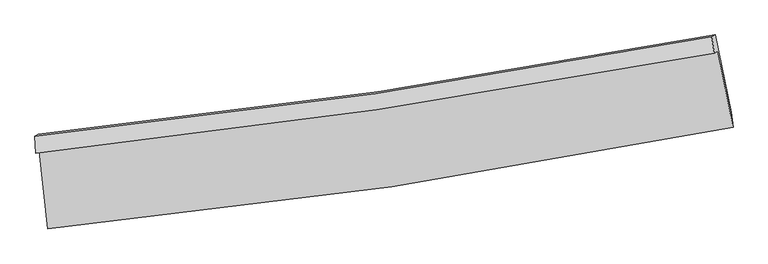
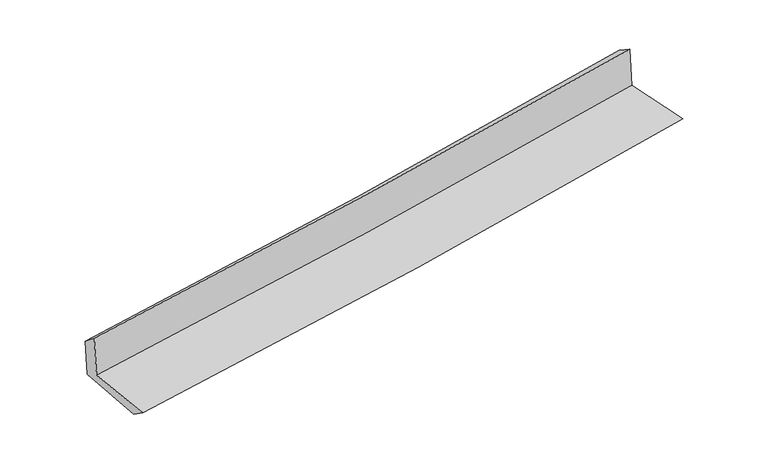
"""IFC4 building model written with IfcOpenShell, lengths in millimetres: proxy geometry."""

from ifc_helpers import new_model, si_unit, frame, origin, place, context, project, spatial, source, transform, mapped, element, save
from ifc_brep_helpers import plane_surface, spline_curve, spline_surface, advanced_brep


def generic_models_f750c79c(model_context):
    return source(origin(), model_context, "Body", "AdvancedBrep", [
        advanced_brep(
        [(-2936.7643006, -1902.8881039, 1629.8170902), (-2863.6807138, -2568.7704879, 1611.3000591), (3011.3794624, -1701.1139515, 2118.6013438), (2881.3858123, -1045.666319, 2120.2692852), (-2969.5563068, -1920.3752433, 2039.3780215), (2849.8393102, -1065.7132847, 2521.4890927), (-2975.1348734, -1775.0005984, 1920.836881), (2829.7142139, -923.8763214, 2431.4215708), (-2945.7666265, -1759.3392624, 1554.0375312), (2860.277671, -907.5776103, 2049.6944546), (-2870.6952464, -2427.9936992, 1515.5555333), (2994.9342872, -1572.2664679, 2016.0325749)],
        [
            (0, 1),
            (1, 2, spline_curve(3, [(-2863.6807138, -2568.7704879, 1611.3000591), (-1877.679030162, -2474.355032791, 1713.366400703), (-894.510796642, -2354.726623301, 1806.714610133), (1063.829144726, -2065.388090302, 1975.773652583), (2039.014303206, -1895.797654445, 2051.525871499), (3011.3794624, -1701.1139515, 2118.6013438)], [4, 2, 4], [0.0, 9.743786564804342, 19.464418413298304])),
            (2, 3),
            (3, 0, spline_curve(3, [(2881.3858123, -1045.666319, 2120.2692852), (1917.789372315, -1225.170166603, 2045.572820357), (951.725017441, -1386.294151411, 1967.406324325), (-987.646582169, -1672.1224128, 1803.93881043), (-1960.965598307, -1796.73902316, 1718.621241211), (-2936.7643006, -1902.8881039, 1629.8170902)], [4, 2, 4], [0.0, 9.720631848493962, 19.464418413298304])),
            (4, 0),
            (3, 5),
            (5, 4, spline_curve(3, [(2849.8393102, -1065.7132847, 2521.4890927), (1885.541354358, -1246.100444079, 2455.659786072), (919.022279098, -1407.45379821, 2382.625584298), (-1020.765665908, -1692.431903663, 2221.95625936), (-1994.045129525, -1815.965868984, 2134.286770585), (-2969.5563068, -1920.3752433, 2039.3780215)], [4, 2, 4], [0.0, 9.671636802026049, 19.36631161329865])),
            (6, 4),
            (5, 7),
            (7, 6, spline_curve(3, [(2829.7142139, -923.8763214, 2431.4215708), (1868.653085866, -1106.587235427, 2357.575630644), (904.963678102, -1268.809743338, 2278.161184098), (-1029.973481456, -1552.615559389, 2107.992847811), (-2001.233769705, -1674.101144047, 2017.212397782), (-2975.1348734, -1775.0005984, 1920.836881)], [4, 2, 4], [0.0, 9.661862556196631, 19.346739839214056])),
            (8, 6),
            (7, 9),
            (9, 8, spline_curve(3, [(2860.277671, -907.5776103, 2049.6944546), (1899.946573212, -1089.899217854, 1966.730686514), (936.523250855, -1251.9798294, 1883.99292512), (-998.810099314, -1535.996923461, 1718.772872828), (-1970.734876269, -1657.83686295, 1636.291659334), (-2945.7666265, -1759.3392624, 1554.0375312)], [4, 2, 4], [0.0, 9.651637330830932, 19.3262650318157])),
            (10, 8),
            (9, 11),
            (11, 10, spline_curve(3, [(2994.9342872, -1572.2664679, 2016.0325749), (2024.002600805, -1754.328441787, 1932.28547288), (1050.319049837, -1916.608760962, 1848.754857798), (-904.877669401, -2201.945524368, 1681.928144679), (-1886.403962536, -2324.907615339, 1598.633079436), (-2870.6952464, -2427.9936992, 1515.5555333)], [4, 2, 4], [0.0, 9.700432819555852, 19.42397224097931])),
            (1, 10),
            (11, 2),
        ],
        [
            spline_surface(3, 3, [[(-2936.7643006, -1902.8881039, 1629.8170902), (-1960.965598462, -1796.739023286, 1718.621241364), (-987.646582224, -1672.122412894, 1803.938810403), (951.725017496, -1386.294151318, 1967.406324351), (1917.789372247, -1225.170166755, 2045.572820337), (2881.3858123, -1045.666319, 2120.2692852)], [(-2912.403104988, -2124.848898558, 1623.644746507), (-1933.203409057, -2022.611026453, 1716.869627812), (-956.601320392, -1899.657149707, 1804.864076952), (989.093059918, -1612.658797635, 1970.195433808), (1958.197682614, -1448.712662588, 2047.557170774), (2924.717029026, -1264.14886315, 2119.713304751)], [(-2888.041909412, -2346.809693242, 1617.472402793), (-1905.441219688, -2248.483029645, 1715.11801424), (-925.556058535, -2127.191886521, 1805.789343473), (1026.461102365, -1839.023443951, 1972.984543238), (1998.605992904, -1672.255158472, 2049.541521159), (2968.048245674, -1482.63140735, 2119.157324249)], [(-2863.6807138, -2568.7704879, 1611.3000591), (-1877.679030282, -2474.355032811, 1713.366400688), (-894.510796704, -2354.726623335, 1806.714610022), (1063.829144788, -2065.388090268, 1975.773652695), (2039.014303272, -1895.797654305, 2051.525871597), (3011.3794624, -1701.1139515, 2118.6013438)]], [4, 4], [4, 2, 4], [0.0, 2.259063286590419], [0.0, 9.743786564804342, 19.464418413298304]),
            spline_surface(3, 3, [[(-2969.5563068, -1920.3752433, 2039.3780215), (-1994.04512967, -1815.965868924, 2134.286770652), (-1020.76566586, -1692.431903568, 2221.956259258), (919.022279051, -1407.453798304, 2382.625584399), (1885.541354235, -1246.100444154, 2455.6597862), (2849.8393102, -1065.7132847, 2521.4890927)], [(-2958.625638061, -1914.546196833, 1902.857711068), (-1983.018619261, -1809.556920378, 1995.731594223), (-1009.725971323, -1685.662073345, 2082.617109625), (929.923191857, -1400.400582644, 2244.219164368), (1896.290693564, -1239.123685029, 2318.964130905), (2860.354810891, -1059.030962808, 2387.749156859)], [(-2947.694969339, -1908.717150367, 1766.337400632), (-1971.992108871, -1803.147971832, 1857.176417793), (-998.686276761, -1678.892243117, 1943.277960036), (940.824104689, -1393.347366978, 2105.812744382), (1907.040032919, -1232.146925879, 2182.268475631), (2870.870311609, -1052.348640892, 2254.009221041)], [(-2936.7643006, -1902.8881039, 1629.8170902), (-1960.965598462, -1796.739023286, 1718.621241364), (-987.646582224, -1672.122412894, 1803.938810403), (951.725017496, -1386.294151318, 1967.406324351), (1917.789372247, -1225.170166755, 2045.572820337), (2881.3858123, -1045.666319, 2120.2692852)]], [4, 4], [4, 2, 4], [0.0, 1.3728135579125842], [0.0, 9.6946748112726, 19.36631161329865]),
            spline_surface(3, 3, [[(-2975.1348734, -1775.0005984, 1920.836881), (-2001.233769682, -1674.101143914, 2017.212397621), (-1029.973481503, -1552.615559397, 2107.992847719), (904.963678149, -1268.80974333, 2278.16118419), (1868.653085709, -1106.587235499, 2357.575630637), (2829.7142139, -923.8763214, 2431.4215708)], [(-2973.275351196, -1823.458813377, 1960.350594518), (-1998.83755634, -1721.389385594, 2056.237188649), (-1026.904209616, -1599.22100745, 2145.980651562), (909.649878455, -1315.024428317, 2312.982650923), (1874.282508544, -1153.091638373, 2390.270349144), (2836.422579327, -971.155309156, 2461.444078086)], [(-2971.415829004, -1871.917028323, 1999.864307982), (-1996.441343011, -1768.677627244, 2095.261979624), (-1023.834937746, -1645.826455515, 2183.968455415), (914.336078745, -1361.239113316, 2347.804117666), (1879.9119314, -1199.59604128, 2422.965067693), (2843.130944773, -1018.434296944, 2491.466585414)], [(-2969.5563068, -1920.3752433, 2039.3780215), (-1994.04512967, -1815.965868924, 2134.286770652), (-1020.76566586, -1692.431903568, 2221.956259258), (919.022279051, -1407.453798304, 2382.625584399), (1885.541354235, -1246.100444154, 2455.6597862), (2849.8393102, -1065.7132847, 2521.4890927)]], [4, 4], [4, 2, 4], [0.0, 0.5818362121447149], [0.0, 9.684877283017425, 19.346739839214056]),
            spline_surface(3, 3, [[(-2945.7666265, -1759.3392624, 1554.0375312), (-1970.734876226, -1657.836862983, 1636.291659418), (-998.810099318, -1535.996923609, 1718.772872755), (936.523250859, -1251.979829253, 1883.992925193), (1899.946573074, -1089.899217904, 1966.730686356), (2860.277671, -907.5776103, 2049.6944546)], [(-2955.556042139, -1764.559707736, 1676.303981116), (-1980.90117405, -1663.258289963, 1763.265238801), (-1009.197893388, -1541.536468879, 1848.512864412), (926.003393282, -1257.58980062, 2015.382344861), (1889.515410605, -1095.461890434, 2097.012334476), (2850.089851953, -913.010513999, 2176.936826693)], [(-2965.345457761, -1769.780153064, 1798.570431084), (-1991.067471858, -1668.679716934, 1890.238818238), (-1019.585687434, -1547.076014126, 1978.252856062), (915.483535727, -1263.199771963, 2146.771764523), (1879.084248178, -1101.024562969, 2227.293982517), (2839.902032947, -918.443417701, 2304.179198707)], [(-2975.1348734, -1775.0005984, 1920.836881), (-2001.233769682, -1674.101143914, 2017.212397621), (-1029.973481503, -1552.615559397, 2107.992847719), (904.963678149, -1268.80974333, 2278.16118419), (1868.653085709, -1106.587235499, 2357.575630637), (2829.7142139, -923.8763214, 2431.4215708)]], [4, 4], [4, 2, 4], [0.0, 1.290345847657124], [0.0, 9.67462770098477, 19.3262650318157]),
            spline_surface(3, 3, [[(-2870.6952464, -2427.9936992, 1515.5555333), (-1886.403962505, -2324.907615457, 1598.633079366), (-904.877669265, -2201.945524259, 1681.928144691), (1050.319049702, -1916.60876107, 1848.754857787), (2024.002600936, -1754.328441864, 1932.285473025), (2994.9342872, -1572.2664679, 2016.0325749)], [(-2895.719039762, -2205.108886925, 1528.382865923), (-1914.514267074, -2102.550697957, 1611.185939372), (-936.188479278, -1979.962657372, 1694.209720728), (1012.387116758, -1695.065783794, 1860.500880272), (1982.650591646, -1532.852033895, 1943.76721079), (2950.048748464, -1350.703515384, 2027.253201454)], [(-2920.742833138, -1982.224074675, 1541.210198577), (-1942.624571657, -1880.193780483, 1623.738799411), (-967.499289305, -1757.979790496, 1706.491296717), (974.455183802, -1473.522806529, 1872.246902708), (1941.298582364, -1311.375625873, 1955.248948592), (2905.163209736, -1129.140562816, 2038.473828046)], [(-2945.7666265, -1759.3392624, 1554.0375312), (-1970.734876226, -1657.836862983, 1636.291659418), (-998.810099318, -1535.996923609, 1718.772872755), (936.523250859, -1251.979829253, 1883.992925193), (1899.946573074, -1089.899217904, 1966.730686356), (2860.277671, -907.5776103, 2049.6944546)]], [4, 4], [4, 2, 4], [0.0, 2.2123012632838317], [0.0, 9.723539421423459, 19.42397224097931]),
            spline_surface(3, 3, [[(-2863.6807138, -2568.7704879, 1611.3000591), (-1877.679030282, -2474.355032811, 1713.366400688), (-894.510796704, -2354.726623335, 1806.714610022), (1063.829144788, -2065.388090268, 1975.773652695), (2039.014303272, -1895.797654305, 2051.525871597), (3011.3794624, -1701.1139515, 2118.6013438)], [(-2866.018891355, -2521.844891671, 1579.38521717), (-1880.587341045, -2424.539227031, 1675.121960251), (-897.966420876, -2303.799590308, 1765.119121569), (1059.325779774, -2015.794980533, 1933.434054383), (2034.010402499, -1848.641250161, 2011.779072062), (3005.897737339, -1658.164790303, 2084.411754156)], [(-2868.357068845, -2474.919295429, 1547.47037523), (-1883.495651743, -2374.723421238, 1636.877519803), (-901.422045092, -2252.872557286, 1723.523633143), (1054.822414716, -1966.201870804, 1891.094456099), (2029.006501709, -1801.484846007, 1972.03227256), (3000.416012261, -1615.215629097, 2050.222164544)], [(-2870.6952464, -2427.9936992, 1515.5555333), (-1886.403962505, -2324.907615457, 1598.633079366), (-904.877669265, -2201.945524259, 1681.928144691), (1050.319049702, -1916.60876107, 1848.754857787), (2024.002600936, -1754.328441864, 1932.285473025), (2994.9342872, -1572.2664679, 2016.0325749)]], [4, 4], [4, 2, 4], [0.0, 0.6456617389166345], [0.0, 9.782802497879239, 19.54235756365882]),
            plane_surface(frame((2904.5884595, -1202.7023258, 2209.5847203), z_axis=(0.9772592539315318, 0.19359777206485868, 0.0865115787435947), x_axis=(-0.0797386482717899, -0.0425225845808117, 0.9959084183660442))),
            plane_surface(frame((-2926.9330113, -2059.0612325, 1711.8208527), z_axis=(-0.9907787266569985, -0.10641010531531107, -0.08387135560321692), x_axis=(-0.10905769972844954, 0.9936513002440531, 0.027631714627254212))),
        ],
        [
            (0, [[1, 2, 3, 4]]),
            (1, [[5, -4, 6, 7]]),
            (2, [[8, -7, 9, 10]]),
            (3, [[11, -10, 12, 13]]),
            (4, [[14, -13, 15, 16]]),
            (5, [[17, -16, 18, -2]]),
            (6, [[-12, -9, -6, -3, -18, -15]]),
            (7, [[-1, -5, -8, -11, -14, -17]]),
        ],
    ),
    ])


if __name__ == "__main__":
    model = new_model("IFC4")
    model_context = context("Model", 3, world=origin())
    ifc_project = project(units=[si_unit("LENGTHUNIT", "METRE", prefix="MILLI")], contexts=[model_context])
    site = spatial("IfcSite", under=ifc_project)
    building = spatial("IfcBuilding", under=site)
    placement = place(None, origin())
    generic_models_shape = generic_models_f750c79c(model_context)
    element("IfcBuildingElementProxy", 1, Name="Generic Models", at=placement, inside=building, context=model_context, shape_type="MappedRepresentation", body=[
        mapped(generic_models_shape, transform((0.0, 0.0, 0.0), x_axis=(1.0, 0.0, 0.0), y_axis=(0.0, 1.0, 0.0), z_axis=(0.0, 0.0, 1.0))),
    ])
    save(model, "model.ifc")
